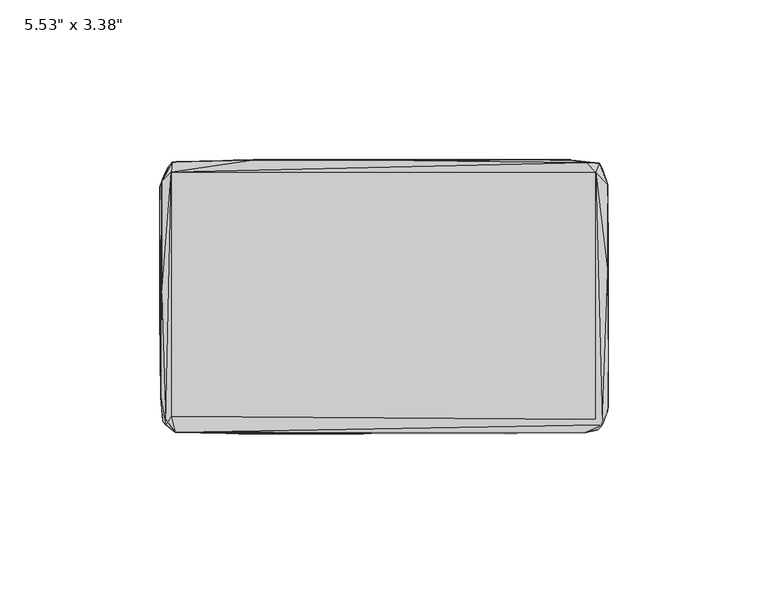
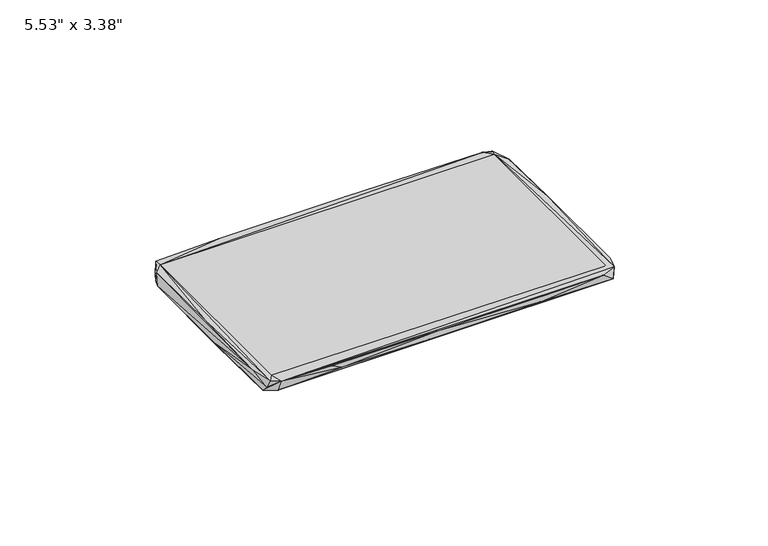
"""IFC4 building model written with IfcOpenShell, lengths in millimetres: furniture geometry."""

from ifc_helpers import new_model, si_unit, origin, place, context, project, spatial, triangles, source, transform, mapped, element, save


def furniture_a5b5ff73(model_context):
    return source(origin(), model_context, "Body", "Tessellation", [
        triangles([(57.0255754, 42.8301891, 5.2682308), (63.3283929, 42.030188, 6.168231), (67.228391, 41.7301881, 5.2682308), (65.5283948, 42.030188, 2.6682311), (66.1283946, 38.930191, 6.168231), (68.1283906, 40.1301859, 1.3682313), (69.8284004, 35.030186, 5.1682307), (69.2283961, 36.130187, 0.2682312), (-69.4083815, -36.5846651, 0.2682312), (-68.5083774, -33.4846635, 0.0682312), (68.7284085, -34.2846397, 0.0682312), (-69.5083799, -5.3041031, 0.1682312), (-69.2083755, -38.9846617, 3.0682311), (-70.1083842, -5.604103, 1.3682313), (-66.108374, -41.1846636, 1.968231), (-65.3083774, -42.3846631, 6.168231), (68.3284102, -38.8846405, 0.8682312), (-68.308376, -40.0846627, 6.0682308), (-69.9083737, -31.3578107, 5.4682306), (-68.5083955, 33.530164, 0.0682312), (68.1283906, 33.3033315, 0.0682312), (-66.5083768, -37.3846617, 6.168231), (-66.5083904, 38.9301683, 6.168231), (-69.6083829, 0.8227496, 6.0682308), (66.1284082, -38.2846408, 6.168231), (-41.6027204, -42.8846598, 4.168231), (66.9284093, -41.5846392, 2.3682313), (-6.4913944, -42.6846538, 3.4682311), (-45.602717, -42.7846568, 5.9682307), (-3.8913941, -42.7846477, 5.8682311), (62.4284115, -42.5846372, 6.0682308), (68.1284087, -40.0846399, 6.168231), (37.4199225, -42.7846432, 3.7682313), (37.5199209, -42.7846432, 5.8682311), (69.728411, -36.1846418, 1.0682311), (69.9284079, -34.3846427, 5.6682308), (69.8284049, 7.6496273, 5.8682311), (69.9283988, 11.6496262, 0.7682312), (-69.508389, 36.0301659, 5.6682308), (-70.1083933, 34.2301644, 1.3682313), (-68.7083879, 38.2301656, 0.6682312), (-67.508393, 40.6301644, 1.5682313), (-66.3083936, 42.1301637, 5.6682308), (-64.9083927, 42.2301621, 2.8682311), (-41.1027328, 42.730168, 5.9682307), (9.1114204, 42.5301756, 6.0682308), (-36.1999002, 42.8301709, 4.168231)], [[1, 2, 3], [1, 3, 4], [2, 5, 3], [4, 3, 6], [5, 7, 3], [3, 7, 6], [6, 7, 8], [9, 10, 11], [9, 12, 10], [9, 13, 14], [9, 15, 16], [9, 14, 12], [9, 16, 13], [9, 17, 15], [9, 11, 17], [13, 18, 19], [13, 19, 14], [13, 16, 18], [10, 12, 20], [10, 21, 11], [10, 20, 21], [18, 22, 23], [18, 16, 22], [18, 24, 19], [18, 23, 24], [22, 16, 25], [15, 26, 16], [15, 17, 27], [15, 28, 26], [15, 27, 28], [16, 29, 30], [16, 30, 31], [16, 31, 32], [16, 32, 25], [16, 26, 29], [29, 26, 30], [26, 28, 30], [28, 33, 30], [28, 27, 33], [30, 33, 34], [30, 34, 31], [33, 31, 34], [33, 27, 31], [31, 27, 32], [25, 32, 5], [27, 17, 35], [27, 35, 32], [32, 36, 37], [32, 37, 5], [32, 35, 36], [17, 11, 35], [11, 38, 35], [11, 21, 38], [35, 38, 36], [36, 38, 7], [36, 7, 37], [19, 24, 39], [19, 40, 14], [19, 39, 40], [14, 40, 12], [12, 40, 20], [24, 23, 39], [37, 7, 5], [38, 8, 7], [38, 21, 8], [21, 20, 8], [40, 41, 20], [40, 39, 41], [39, 42, 41], [39, 43, 42], [39, 23, 43], [41, 42, 6], [41, 6, 8], [41, 8, 20], [42, 44, 4], [42, 43, 44], [42, 4, 6], [23, 45, 43], [23, 46, 45], [23, 2, 46], [23, 5, 2], [43, 45, 44], [44, 45, 47], [44, 47, 4], [45, 46, 47], [47, 46, 1], [47, 1, 4], [46, 2, 1]], closed=False),
        triangles([(-66.5342973, -37.4179445, 6.1975068), (66.0513053, -38.3179237, 6.1975068), (-66.5343109, 39.0403087, 6.1975068), (66.0512917, 39.0403314, 6.1975068)], [[1, 2, 3], [2, 4, 3]], closed=False),
    ])


if __name__ == "__main__":
    model = new_model("IFC4")
    model_context = context("Model", 3, world=origin())
    ifc_project = project(units=[si_unit("LENGTHUNIT", "METRE", prefix="MILLI")], contexts=[model_context])
    site = spatial("IfcSite", under=ifc_project)
    building = spatial("IfcBuilding", under=site)
    placement = place(None, origin())
    furniture_shape = furniture_a5b5ff73(model_context)
    element("IfcFurniture", 1, ObjectType="5.53\" x 3.38\"", at=placement, inside=building, context=model_context, shape_type="MappedRepresentation", body=[
        mapped(furniture_shape, transform((0.0, 0.0, 0.0), x_axis=(1.0, 0.0, 0.0), y_axis=(0.0, 1.0, 0.0), z_axis=(0.0, 0.0, 1.0))),
    ])
    save(model, "model.ifc")
